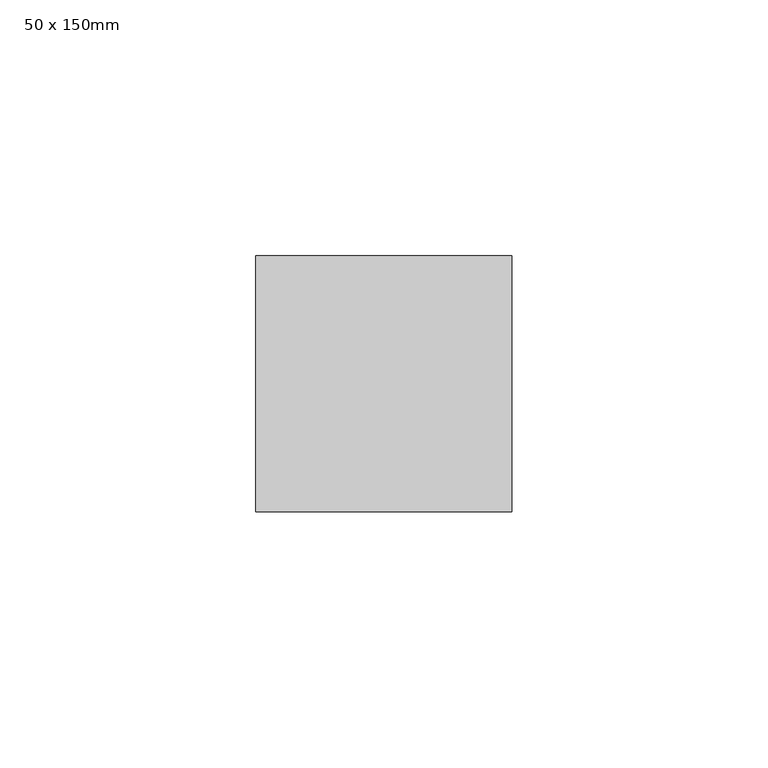
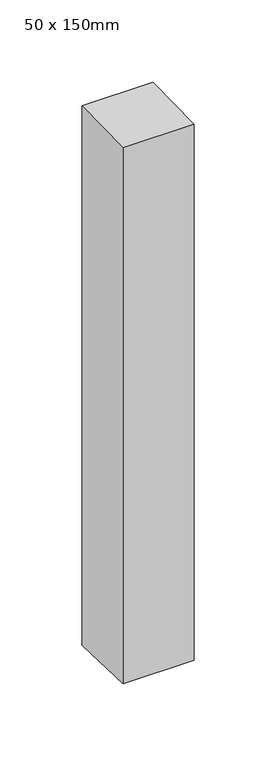
"""IFC4 building model written with IfcOpenShell, lengths in millimetres: member geometry, 50 x 150mm."""

from ifc_helpers import new_model, si_unit, frame, origin, place, context, project, spatial, polyline, outline, extrude, source, transform, mapped, element, save


def member_50_x_150mm_fcd194ac(model_context):
    return source(origin(), model_context, "Body", "SweptSolid", [
        extrude(outline(polyline([(-25.0, -0.4988876), (25.0, 0.4988876), (25.0, -400.7898676), (-25.0, -399.2101324), (-25.0, -0.4988876)])), frame((-25.0, 0.0, 0.0), z_axis=(1.0, 0.0, 0.0), x_axis=(0.0, 1.0, 0.0)), (0.0, 0.0, 1.0), 50.0),
    ])


if __name__ == "__main__":
    model = new_model("IFC4")
    model_context = context("Model", 3, world=origin())
    ifc_project = project(units=[si_unit("LENGTHUNIT", "METRE", prefix="MILLI")], contexts=[model_context])
    site = spatial("IfcSite", under=ifc_project)
    building = spatial("IfcBuilding", under=site)
    placement = place(None, origin())
    member_50_x_150mm_shape = member_50_x_150mm_fcd194ac(model_context)
    element("IfcMember", 1, ObjectType="50 x 150mm", at=placement, inside=building, context=model_context, shape_type="MappedRepresentation", body=[
        mapped(member_50_x_150mm_shape, transform((0.0, 0.0, 0.0), x_axis=(1.0, 0.0, 0.0), y_axis=(0.0, 1.0, 0.0), z_axis=(0.0, 0.0, 1.0))),
    ])
    save(model, "model.ifc")
